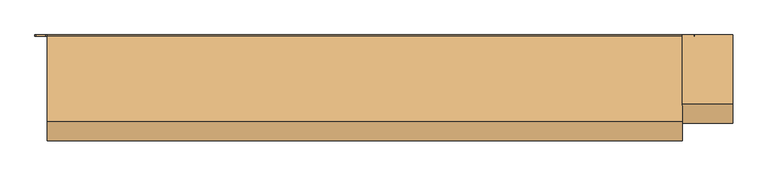
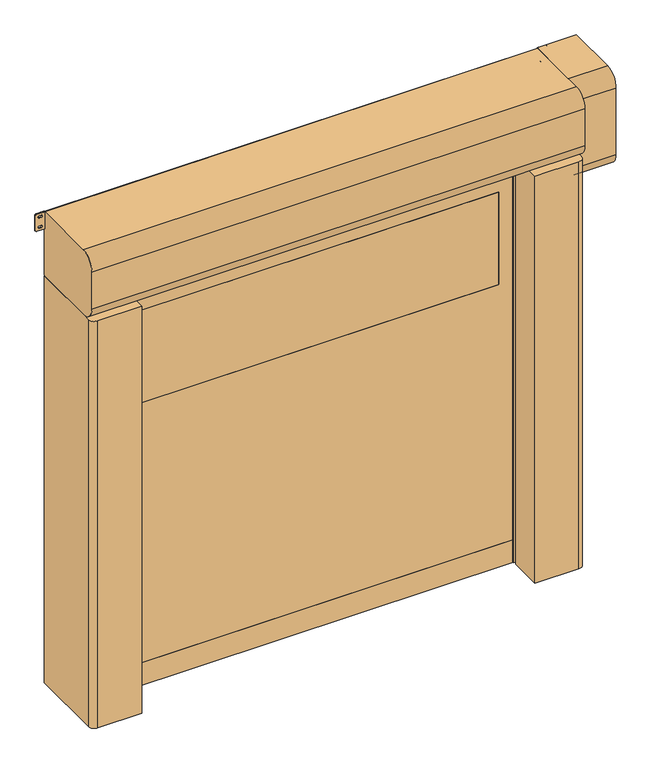
"""IFC4 building model written with IfcOpenShell, lengths in millimetres: door geometry."""

import ifcopenshell
import ifcopenshell.guid

model = None  # the IFC model being written
_history = None  # IfcOwnerHistory: only IFC2X3 demands one
_inside = {}  # id of a spatial element -> (the spatial element, [elements in it])
_under = {}  # id of a project, library or spatial element -> (it, [spatial elements below it])
_declared = {}  # id of a project -> (the project, [libraries it declares])
_typed = {}  # id of a type object -> (the type object, [elements of that type])
_made_of = {}  # id of a material, layer set ... -> (it, [elements and type objects made of it])


def new_model(schema):
    """Start an empty IFC model of exactly this schema.

    Asked for "IFC4X3", IfcOpenShell would pick the latest addendum, in which some entities
    have other attributes; the version numbers below select the first issue.
    IFC2X3 requires an IfcOwnerHistory on every rooted entity: one is made here for all.
    """
    global model, _history
    if schema == "IFC4X3":
        model = ifcopenshell.file(schema_version=(4, 3, 0, 0))
    else:
        model = ifcopenshell.file(schema=schema)
    _inside.clear()
    _under.clear()
    _declared.clear()
    _typed.clear()
    _made_of.clear()
    _history = None
    if model.schema == "IFC2X3":
        org = make("IfcOrganization", Name="unknown")
        user = make(
            "IfcPersonAndOrganization",
            ThePerson=make("IfcPerson", FamilyName="unknown"),
            TheOrganization=org,
        )
        app = make(
            "IfcApplication",
            ApplicationDeveloper=org,
            Version="unknown",
            ApplicationFullName="unknown",
            ApplicationIdentifier="unknown",
        )
        _history = make(
            "IfcOwnerHistory",
            OwningUser=user,
            OwningApplication=app,
            ChangeAction="ADDED",
            CreationDate=0,
        )
    return model


def make(cls, **values):
    """One entity of the class cls with the attributes given. An attribute that is None is left unset."""
    return model.create_entity(
        cls, **{name: value for name, value in values.items() if value is not None}
    )


def rooted(cls, **values):
    """An entity with a GlobalId (a new one), such as an element, a storey or a relation."""
    return make(cls, GlobalId=ifcopenshell.guid.new(), OwnerHistory=_history, **values)


def si_unit(unit_type, name, prefix=None):
    """IfcSIUnit, for example si_unit("LENGTHUNIT", "METRE", prefix="MILLI")."""
    return make("IfcSIUnit", UnitType=unit_type, Prefix=prefix, Name=name)


def assignment(units):
    """IfcUnitAssignment: the units of a project."""
    return None if units is None else make("IfcUnitAssignment", Units=units)


def point(xyz):
    """IfcCartesianPoint."""
    return None if xyz is None else make("IfcCartesianPoint", Coordinates=xyz)


def direction(xyz):
    """IfcDirection."""
    return None if xyz is None else make("IfcDirection", DirectionRatios=xyz)


def frame(location, z_axis=None, x_axis=None):
    """IfcAxis2Placement3D, a coordinate frame: its origin and axes. An axis left out is left unset."""
    return make(
        "IfcAxis2Placement3D",
        Location=point(location),
        Axis=direction(z_axis),
        RefDirection=direction(x_axis),
    )


def frame_2d(location, x_axis=None):
    """IfcAxis2Placement2D, a coordinate frame in the plane: its origin and x axis."""
    return make(
        "IfcAxis2Placement2D", Location=point(location), RefDirection=direction(x_axis)
    )


def origin():
    """The frame at (0, 0, 0) with its axes left unset."""
    return frame((0.0, 0.0, 0.0))


def origin_with_axes():
    """The frame at (0, 0, 0) with the z axis (0, 0, 1) and the x axis (1, 0, 0) written out."""
    return frame((0.0, 0.0, 0.0), z_axis=(0.0, 0.0, 1.0), x_axis=(1.0, 0.0, 0.0))


def place(relative_to, where):
    """IfcLocalPlacement: puts the frame where relative to a parent placement (None: the world)."""
    return make(
        "IfcLocalPlacement", PlacementRelTo=relative_to, RelativePlacement=where
    )


def context(
    kind, dimensions, precision=None, world=None, true_north=None, identifier=None
):
    """IfcGeometricRepresentationContext, for example the 3D "Model" context."""
    return make(
        "IfcGeometricRepresentationContext",
        ContextIdentifier=identifier,
        ContextType=kind,
        CoordinateSpaceDimension=dimensions,
        Precision=precision,
        WorldCoordinateSystem=world,
        TrueNorth=true_north,
    )


def project(units=None, contexts=None):
    """IfcProject with its units and contexts."""
    return rooted(
        "IfcProject",
        Name="project",
        RepresentationContexts=contexts,
        UnitsInContext=assignment(units),
    )


def spatial(cls, under=None, at=None, **own):
    """A site, building, storey or space (cls), placed at a placement, below another one or the project."""
    s = rooted(cls, ObjectPlacement=at, **own)
    if under is not None:
        _under.setdefault(under.id(), (under, []))[1].append(s)
    return s


def polyline(points):
    """IfcPolyline through the points."""
    return make("IfcPolyline", Points=[point(p) for p in points])


def circle_curve(where, radius):
    """IfcCircle in the frame where."""
    return make("IfcCircle", Position=where, Radius=radius)


def trimmed(basis, trim1, trim2, sense, master):
    """IfcTrimmedCurve: the piece of a basis curve between two trims."""
    return make(
        "IfcTrimmedCurve",
        BasisCurve=basis,
        Trim1=trim1,
        Trim2=trim2,
        SenseAgreement=sense,
        MasterRepresentation=master,
    )


def segment(curve, same_sense, transition):
    """IfcCompositeCurveSegment."""
    return make(
        "IfcCompositeCurveSegment",
        Transition=transition,
        SameSense=same_sense,
        ParentCurve=curve,
    )


def composite_curve(segments, self_intersect=None):
    """IfcCompositeCurve: segments joined end to end."""
    return make("IfcCompositeCurve", Segments=segments, SelfIntersect=self_intersect)


def outline(outer, holes=None, kind="AREA"):
    """IfcArbitraryClosedProfileDef: a profile drawn as a closed curve; with holes, ...WithVoids."""
    if holes is None:
        return make("IfcArbitraryClosedProfileDef", ProfileType=kind, OuterCurve=outer)
    return make(
        "IfcArbitraryProfileDefWithVoids",
        ProfileType=kind,
        OuterCurve=outer,
        InnerCurves=holes,
    )


def extrude(swept, where, along, depth):
    """IfcExtrudedAreaSolid: the profile swept, set in the frame where, extruded along a direction by depth."""
    return make(
        "IfcExtrudedAreaSolid",
        SweptArea=swept,
        Position=where,
        ExtrudedDirection=direction(along),
        Depth=depth,
    )


def shape(context_of_items, identifier, shape_type, items):
    """IfcShapeRepresentation: the items that make up one representation, for example the "Body"."""
    return make(
        "IfcShapeRepresentation",
        ContextOfItems=context_of_items,
        RepresentationIdentifier=identifier,
        RepresentationType=shape_type,
        Items=items,
    )


def source(mapping_origin, context_of_items, identifier, shape_type, items):
    """IfcRepresentationMap: a shape defined once, which mapped items show again and again."""
    return make(
        "IfcRepresentationMap",
        MappingOrigin=mapping_origin,
        MappedRepresentation=shape(context_of_items, identifier, shape_type, items),
    )


def transform(
    local_origin,
    x_axis=None,
    y_axis=None,
    z_axis=None,
    scale=None,
    scale2=None,
    scale3=None,
    uniform=True,
):
    """IfcCartesianTransformationOperator3D, or its non-uniform kind. x_axis, y_axis, z_axis: its Axis1, 2, 3."""
    if uniform:
        return make(
            "IfcCartesianTransformationOperator3D",
            Axis1=direction(x_axis),
            Axis2=direction(y_axis),
            LocalOrigin=point(local_origin),
            Scale=scale,
            Axis3=direction(z_axis),
        )
    return make(
        "IfcCartesianTransformationOperator3DnonUniform",
        Axis1=direction(x_axis),
        Axis2=direction(y_axis),
        LocalOrigin=point(local_origin),
        Scale=scale,
        Axis3=direction(z_axis),
        Scale2=scale2,
        Scale3=scale3,
    )


def mapped(mapping_source, mapping_target):
    """IfcMappedItem: shows the shape of a source again, moved by a transform."""
    return make(
        "IfcMappedItem", MappingSource=mapping_source, MappingTarget=mapping_target
    )


def made_of(thing, what):
    """Note that an element or type object is made of a material, layer set ...; save() writes the relation."""
    if what is not None:
        _made_of.setdefault(what.id(), (what, []))[1].append(thing)
    return thing


def element(
    cls,
    number,
    at=None,
    inside=None,
    cuts=None,
    type_object=None,
    material=None,
    context=None,
    identifier="Body",
    shape_type=None,
    held_by="IfcProductDefinitionShape",
    body=None,
    shapes=None,
    **own,
):
    """One element of the class cls, such as IfcWall. Its Tag is "e" and its number.

    at: its placement. inside: the storey or other place that contains it. cuts: it is an
    opening in that element (IfcRelVoidsElement). A single representation is given by context,
    identifier, shape_type and body (its items); several are given by shapes. held_by: the class
    of the entity that holds the representations. save() writes the other relations.
    """
    e = rooted(cls, Tag="e%d" % number, ObjectPlacement=at, **own)
    if body is not None:
        shapes = [shape(context, identifier, shape_type, body)]
    if shapes is not None:
        e.Representation = make(held_by, Representations=shapes)
    if inside is not None:
        _inside.setdefault(inside.id(), (inside, []))[1].append(e)
    if cuts is not None:
        rooted(
            "IfcRelVoidsElement", RelatingBuildingElement=cuts, RelatedOpeningElement=e
        )
    if type_object is not None:
        _typed.setdefault(type_object.id(), (type_object, []))[1].append(e)
    return made_of(e, material)


def aggregate(whole, parts):
    """IfcRelAggregates: a whole, such as a stair, and the parts it consists of."""
    return rooted("IfcRelAggregates", RelatingObject=whole, RelatedObjects=parts)


def save(model, path):
    """Write the relations noted so far, then the file.

    IfcRelAggregates (storeys below a building ...), IfcRelContainedInSpatialStructure (elements
    in a storey), IfcRelDefinesByType, IfcRelAssociatesMaterial and IfcRelDeclares: one each for
    every whole, place, type object, material and project.
    """
    for whole, parts in _under.values():
        aggregate(whole, parts)
    for where, things in _inside.values():
        rooted(
            "IfcRelContainedInSpatialStructure",
            RelatedElements=things,
            RelatingStructure=where,
        )
    for kind, things in _typed.values():
        rooted("IfcRelDefinesByType", RelatedObjects=things, RelatingType=kind)
    for what, things in _made_of.values():
        rooted("IfcRelAssociatesMaterial", RelatedObjects=things, RelatingMaterial=what)
    for by, libraries in _declared.values():
        rooted("IfcRelDeclares", RelatingContext=by, RelatedDefinitions=libraries)
    model.write(path)


def door_781c7d04(model_context):
    return source(origin(), model_context, "Body", "SweptSolid", [
        extrude(outline(composite_curve([segment(trimmed(circle_curve(frame_2d((1416.6666667, 1171.0)), 6.0), [point((1422.6666667, 1171.0))], [point((1410.6666667, 1171.0))], False, "CARTESIAN"), True, "CONTINUOUS"), segment(polyline([(1410.6666667, 1171.0), (1410.6666667, 1189.0)]), True, "CONTINUOUS"), segment(trimmed(circle_curve(frame_2d((1416.6666667, 1189.0)), 6.0), [point((1410.6666667, 1189.0))], [point((1422.6666667, 1189.0))], False, "CARTESIAN"), True, "CONTINUOUS"), segment(polyline([(1422.6666667, 1189.0), (1422.6666667, 1171.0)]), True, "CONTINUOUS")], self_intersect=False)), frame((0.0, -20.0, 0.0), z_axis=(0.0, 1.0, 0.0), x_axis=(0.0, 0.0, 1.0)), (0.0, 0.0, 1.0), 20.0),
        extrude(outline(composite_curve([segment(trimmed(circle_curve(frame_2d((783.3333333, 1171.0)), 6.0), [point((789.3333333, 1171.0))], [point((777.3333333, 1171.0))], False, "CARTESIAN"), True, "CONTINUOUS"), segment(polyline([(777.3333333, 1171.0), (777.3333333, 1189.0)]), True, "CONTINUOUS"), segment(trimmed(circle_curve(frame_2d((783.3333333, 1189.0)), 6.0), [point((777.3333333, 1189.0))], [point((789.3333333, 1189.0))], False, "CARTESIAN"), True, "CONTINUOUS"), segment(polyline([(789.3333333, 1189.0), (789.3333333, 1171.0)]), True, "CONTINUOUS")], self_intersect=False)), frame((0.0, -20.0, 0.0), z_axis=(0.0, 1.0, 0.0), x_axis=(0.0, 0.0, 1.0)), (0.0, 0.0, 1.0), 20.0),
        extrude(outline(composite_curve([segment(trimmed(circle_curve(frame_2d((2050.0, 1171.0)), 6.0), [point((2056.0, 1171.0))], [point((2044.0, 1171.0))], False, "CARTESIAN"), True, "CONTINUOUS"), segment(polyline([(2044.0, 1171.0), (2044.0, 1189.0)]), True, "CONTINUOUS"), segment(trimmed(circle_curve(frame_2d((2050.0, 1189.0)), 6.0), [point((2044.0, 1189.0))], [point((2056.0, 1189.0))], False, "CARTESIAN"), True, "CONTINUOUS"), segment(polyline([(2056.0, 1189.0), (2056.0, 1171.0)]), True, "CONTINUOUS")], self_intersect=False)), frame((0.0, -20.0, 0.0), z_axis=(0.0, 1.0, 0.0), x_axis=(0.0, 0.0, 1.0)), (0.0, 0.0, 1.0), 20.0),
        extrude(outline(composite_curve([segment(trimmed(circle_curve(frame_2d((150.0, 1171.0)), 6.0), [point((156.0, 1171.0))], [point((144.0, 1171.0))], False, "CARTESIAN"), True, "CONTINUOUS"), segment(polyline([(144.0, 1171.0), (144.0, 1189.0)]), True, "CONTINUOUS"), segment(trimmed(circle_curve(frame_2d((150.0, 1189.0)), 6.0), [point((144.0, 1189.0))], [point((156.0, 1189.0))], False, "CARTESIAN"), True, "CONTINUOUS"), segment(polyline([(156.0, 1189.0), (156.0, 1171.0)]), True, "CONTINUOUS")], self_intersect=False)), frame((0.0, -20.0, 0.0), z_axis=(0.0, 1.0, 0.0), x_axis=(0.0, 0.0, 1.0)), (0.0, 0.0, 1.0), 20.0),
        extrude(outline(composite_curve([segment(polyline([(1422.6666667, -1171.0), (1422.6666667, -1189.0)]), True, "CONTINUOUS"), segment(trimmed(circle_curve(frame_2d((1416.6666667, -1189.0)), 6.0), [point((1422.6666667, -1189.0))], [point((1410.6666667, -1189.0))], False, "CARTESIAN"), True, "CONTINUOUS"), segment(polyline([(1410.6666667, -1189.0), (1410.6666667, -1171.0)]), True, "CONTINUOUS"), segment(trimmed(circle_curve(frame_2d((1416.6666667, -1171.0)), 6.0), [point((1410.6666667, -1171.0))], [point((1422.6666667, -1171.0))], False, "CARTESIAN"), True, "CONTINUOUS")], self_intersect=False)), frame((0.0, -20.0, 0.0), z_axis=(0.0, 1.0, 0.0), x_axis=(0.0, 0.0, 1.0)), (0.0, 0.0, 1.0), 20.0),
        extrude(outline(composite_curve([segment(polyline([(789.3333333, -1171.0), (789.3333333, -1189.0)]), True, "CONTINUOUS"), segment(trimmed(circle_curve(frame_2d((783.3333333, -1189.0)), 6.0), [point((789.3333333, -1189.0))], [point((777.3333333, -1189.0))], False, "CARTESIAN"), True, "CONTINUOUS"), segment(polyline([(777.3333333, -1189.0), (777.3333333, -1171.0)]), True, "CONTINUOUS"), segment(trimmed(circle_curve(frame_2d((783.3333333, -1171.0)), 6.0), [point((777.3333333, -1171.0))], [point((789.3333333, -1171.0))], False, "CARTESIAN"), True, "CONTINUOUS")], self_intersect=False)), frame((0.0, -20.0, 0.0), z_axis=(0.0, 1.0, 0.0), x_axis=(0.0, 0.0, 1.0)), (0.0, 0.0, 1.0), 20.0),
        extrude(outline(composite_curve([segment(polyline([(2056.0, -1171.0), (2056.0, -1189.0)]), True, "CONTINUOUS"), segment(trimmed(circle_curve(frame_2d((2050.0, -1189.0)), 6.0), [point((2056.0, -1189.0))], [point((2044.0, -1189.0))], False, "CARTESIAN"), True, "CONTINUOUS"), segment(polyline([(2044.0, -1189.0), (2044.0, -1171.0)]), True, "CONTINUOUS"), segment(trimmed(circle_curve(frame_2d((2050.0, -1171.0)), 6.0), [point((2044.0, -1171.0))], [point((2056.0, -1171.0))], False, "CARTESIAN"), True, "CONTINUOUS")], self_intersect=False)), frame((0.0, -20.0, 0.0), z_axis=(0.0, 1.0, 0.0), x_axis=(0.0, 0.0, 1.0)), (0.0, 0.0, 1.0), 20.0),
        extrude(outline(composite_curve([segment(polyline([(156.0, -1171.0), (156.0, -1189.0)]), True, "CONTINUOUS"), segment(trimmed(circle_curve(frame_2d((150.0, -1189.0)), 6.0), [point((156.0, -1189.0))], [point((144.0, -1189.0))], False, "CARTESIAN"), True, "CONTINUOUS"), segment(polyline([(144.0, -1189.0), (144.0, -1171.0)]), True, "CONTINUOUS"), segment(trimmed(circle_curve(frame_2d((150.0, -1171.0)), 6.0), [point((144.0, -1171.0))], [point((156.0, -1171.0))], False, "CARTESIAN"), True, "CONTINUOUS")], self_intersect=False)), frame((0.0, -20.0, 0.0), z_axis=(0.0, 1.0, 0.0), x_axis=(0.0, 0.0, 1.0)), (0.0, 0.0, 1.0), 20.0),
        extrude(outline(composite_curve([segment(trimmed(circle_curve(frame_2d((1526.0, 929.0)), 1.0), [point((1525.0, 929.0))], [point((1526.0, 930.0))], False, "CARTESIAN"), True, "CONTINUOUS"), segment(polyline([(1526.0, 930.0), (2024.0, 930.0)]), True, "CONTINUOUS"), segment(trimmed(circle_curve(frame_2d((2024.0, 929.0)), 1.0), [point((2024.0, 930.0))], [point((2025.0, 929.0))], False, "CARTESIAN"), True, "CONTINUOUS"), segment(polyline([(2025.0, 929.0), (2025.0, -929.0)]), True, "CONTINUOUS"), segment(trimmed(circle_curve(frame_2d((2024.0, -929.0)), 1.0), [point((2025.0, -929.0))], [point((2024.0, -930.0))], False, "CARTESIAN"), True, "CONTINUOUS"), segment(polyline([(2024.0, -930.0), (1526.0, -930.0)]), True, "CONTINUOUS"), segment(trimmed(circle_curve(frame_2d((1526.0, -929.0)), 1.0), [point((1526.0, -930.0))], [point((1525.0, -929.0))], False, "CARTESIAN"), True, "CONTINUOUS"), segment(polyline([(1525.0, -929.0), (1525.0, 929.0)]), True, "CONTINUOUS")], self_intersect=False)), frame((0.0, -228.5, 0.0), z_axis=(0.0, 1.0, 0.0), x_axis=(0.0, 0.0, 1.0)), (0.0, 0.0, 1.0), 7.0),
        extrude(outline(polyline([(120.0, -1012.0), (120.0, 1012.0), (2375.0, 1012.0), (2375.0, -1012.0), (120.0, -1012.0)]), holes=[composite_curve([segment(trimmed(circle_curve(frame_2d((1526.0, 929.0)), 1.0), [point((1526.0, 930.0))], [point((1525.0, 929.0))], True, "CARTESIAN"), True, "CONTINUOUS"), segment(polyline([(1525.0, 929.0), (1525.0, -929.0)]), True, "CONTINUOUS"), segment(trimmed(circle_curve(frame_2d((1526.0, -929.0)), 1.0), [point((1525.0, -929.0))], [point((1526.0, -930.0))], True, "CARTESIAN"), True, "CONTINUOUS"), segment(polyline([(1526.0, -930.0), (2024.0, -930.0)]), True, "CONTINUOUS"), segment(trimmed(circle_curve(frame_2d((2024.0, -929.0)), 1.0), [point((2024.0, -930.0))], [point((2025.0, -929.0))], True, "CARTESIAN"), True, "CONTINUOUS"), segment(polyline([(2025.0, -929.0), (2025.0, 929.0)]), True, "CONTINUOUS"), segment(trimmed(circle_curve(frame_2d((2024.0, 929.0)), 1.0), [point((2025.0, 929.0))], [point((2024.0, 930.0))], True, "CARTESIAN"), True, "CONTINUOUS"), segment(polyline([(2024.0, 930.0), (1526.0, 930.0)]), True, "CONTINUOUS")], self_intersect=False)]), frame((0.0, -228.5, 0.0), z_axis=(0.0, 1.0, 0.0), x_axis=(0.0, 0.0, 1.0)), (0.0, 0.0, 1.0), 7.0),
        extrude(outline(polyline([(-1012.0, -219.5), (1012.0, -219.5), (1012.0, -230.5), (-1012.0, -230.5), (-1012.0, -219.5)])), origin_with_axes(), (0.0, 0.0, 1.0), 120.0),
        extrude(outline(composite_curve([segment(polyline([(-1260.0, 0.0), (-1015.0, 0.0), (-1015.0, -209.2857143), (-1035.0, -215.0), (-1000.0, -215.0), (-1000.0, -221.5), (-1020.0, -221.5), (-1020.0, -228.5), (-1000.0, -228.5), (-1000.0, -235.0), (-1035.0, -235.0), (-1035.0, -250.0), (-1005.0, -250.0), (-1005.0, -420.0), (-1230.0, -420.0)]), True, "CONTINUOUS"), segment(trimmed(circle_curve(frame_2d((-1230.0, -390.0)), 30.0), [point((-1230.0, -420.0))], [point((-1260.0, -390.0))], False, "CARTESIAN"), True, "CONTINUOUS"), segment(polyline([(-1260.0, -390.0), (-1260.0, 0.0)]), True, "CONTINUOUS")], self_intersect=False)), origin_with_axes(), (0.0, 0.0, 1.0), 2200.0),
        extrude(outline(composite_curve([segment(polyline([(1260.0, 0.0), (1260.0, -390.0)]), True, "CONTINUOUS"), segment(trimmed(circle_curve(frame_2d((1230.0, -390.0)), 30.0), [point((1260.0, -390.0))], [point((1230.0, -420.0))], False, "CARTESIAN"), True, "CONTINUOUS"), segment(polyline([(1230.0, -420.0), (1005.0, -420.0), (1005.0, -250.0), (1035.0, -250.0), (1035.0, -235.0), (1000.0, -235.0), (1000.0, -228.5), (1020.0, -228.5), (1020.0, -221.5), (1000.0, -221.5), (1000.0, -215.0), (1035.0, -215.0), (1015.0, -209.2857143), (1015.0, 0.0), (1260.0, 0.0)]), True, "CONTINUOUS")], self_intersect=False)), origin_with_axes(), (0.0, 0.0, 1.0), 2200.0),
        extrude(outline(composite_curve([segment(polyline([(0.0, 2550.0), (0.0, 2040.0), (-275.0, 2040.0)]), True, "CONTINUOUS"), segment(trimmed(circle_curve(frame_2d((-275.0, 2115.0)), 75.0), [point((-275.0, 2040.0))], [point((-350.0, 2115.0))], False, "CARTESIAN"), True, "CONTINUOUS"), segment(polyline([(-350.0, 2115.0), (-350.0, 2475.0)]), True, "CONTINUOUS"), segment(trimmed(circle_curve(frame_2d((-275.0, 2475.0)), 75.0), [point((-350.0, 2475.0))], [point((-275.0, 2550.0))], False, "CARTESIAN"), True, "CONTINUOUS"), segment(polyline([(-275.0, 2550.0), (0.0, 2550.0)]), True, "CONTINUOUS")], self_intersect=False)), frame((1260.0, 0.0, 0.0), z_axis=(1.0, 0.0, 0.0), x_axis=(0.0, 1.0, 0.0)), (0.0, 0.0, 1.0), 200.0),
        extrude(outline(composite_curve([segment(trimmed(circle_curve(frame_2d((-5.0, 2205.0)), 5.0), [point((0.0, 2205.0))], [point((-5.0, 2200.0))], False, "CARTESIAN"), True, "CONTINUOUS"), segment(polyline([(-5.0, 2200.0), (-345.0, 2200.0)]), True, "CONTINUOUS"), segment(trimmed(circle_curve(frame_2d((-345.0, 2275.0)), 75.0), [point((-345.0, 2200.0))], [point((-420.0, 2275.0))], False, "CARTESIAN"), True, "CONTINUOUS"), segment(polyline([(-420.0, 2275.0), (-420.0, 2475.0)]), True, "CONTINUOUS"), segment(trimmed(circle_curve(frame_2d((-345.0, 2475.0)), 75.0), [point((-420.0, 2475.0))], [point((-345.0, 2550.0))], False, "CARTESIAN"), True, "CONTINUOUS"), segment(polyline([(-345.0, 2550.0), (-5.0, 2550.0)]), True, "CONTINUOUS"), segment(trimmed(circle_curve(frame_2d((-5.0, 2545.0)), 5.0), [point((-5.0, 2550.0))], [point((0.0, 2545.0))], False, "CARTESIAN"), True, "CONTINUOUS"), segment(polyline([(0.0, 2545.0), (0.0, 2205.0)]), True, "CONTINUOUS")], self_intersect=False)), frame((-1260.0, 0.0, 0.0), z_axis=(1.0, 0.0, 0.0), x_axis=(0.0, 1.0, 0.0)), (0.0, 0.0, 1.0), 2520.0),
        extrude(outline(composite_curve([segment(trimmed(circle_curve(frame_2d((2463.75, 1265.75)), 5.75), [point((2463.75, 1260.0))], [point((2458.0, 1265.75))], False, "CARTESIAN"), True, "CONTINUOUS"), segment(polyline([(2458.0, 1265.75), (2458.0, 1303.25)]), True, "CONTINUOUS"), segment(trimmed(circle_curve(frame_2d((2463.75, 1303.25)), 5.75), [point((2458.0, 1303.25))], [point((2463.75, 1309.0))], False, "CARTESIAN"), True, "CONTINUOUS"), segment(polyline([(2463.75, 1309.0), (2544.25, 1309.0)]), True, "CONTINUOUS"), segment(trimmed(circle_curve(frame_2d((2544.25, 1303.25)), 5.75), [point((2544.25, 1309.0))], [point((2550.0, 1303.25))], False, "CARTESIAN"), True, "CONTINUOUS"), segment(polyline([(2550.0, 1303.25), (2550.0, 1265.75)]), True, "CONTINUOUS"), segment(trimmed(circle_curve(frame_2d((2544.25, 1265.75)), 5.75), [point((2550.0, 1265.75))], [point((2544.25, 1260.0))], False, "CARTESIAN"), True, "CONTINUOUS"), segment(polyline([(2544.25, 1260.0), (2463.75, 1260.0)]), True, "CONTINUOUS")], self_intersect=False), holes=[composite_curve([segment(trimmed(circle_curve(frame_2d((2476.5, 1288.75)), 5.75), [point((2482.25, 1288.75))], [point((2470.75, 1288.75))], True, "CARTESIAN"), True, "CONTINUOUS"), segment(polyline([(2470.75, 1288.75), (2470.75, 1280.25)]), True, "CONTINUOUS"), segment(trimmed(circle_curve(frame_2d((2476.5, 1280.25)), 5.75), [point((2470.75, 1280.25))], [point((2482.25, 1280.25))], True, "CARTESIAN"), True, "CONTINUOUS"), segment(polyline([(2482.25, 1280.25), (2482.25, 1288.75)]), True, "CONTINUOUS")], self_intersect=False), composite_curve([segment(trimmed(circle_curve(frame_2d((2531.5, 1288.75)), 5.75), [point((2537.25, 1288.75))], [point((2525.75, 1288.75))], True, "CARTESIAN"), True, "CONTINUOUS"), segment(polyline([(2525.75, 1288.75), (2525.75, 1280.25)]), True, "CONTINUOUS"), segment(trimmed(circle_curve(frame_2d((2531.5, 1280.25)), 5.75), [point((2525.75, 1280.25))], [point((2537.25, 1280.25))], True, "CARTESIAN"), True, "CONTINUOUS"), segment(polyline([(2537.25, 1280.25), (2537.25, 1288.75)]), True, "CONTINUOUS")], self_intersect=False)]), frame((0.0, -5.0, 0.0), z_axis=(0.0, 1.0, 0.0), x_axis=(0.0, 0.0, 1.0)), (0.0, 0.0, 1.0), 5.0),
        extrude(outline(composite_curve([segment(trimmed(circle_curve(frame_2d((2463.75, -1303.25)), 5.75), [point((2463.75, -1309.0))], [point((2458.0, -1303.25))], False, "CARTESIAN"), True, "CONTINUOUS"), segment(polyline([(2458.0, -1303.25), (2458.0, -1265.75)]), True, "CONTINUOUS"), segment(trimmed(circle_curve(frame_2d((2463.75, -1265.75)), 5.75), [point((2458.0, -1265.75))], [point((2463.75, -1260.0))], False, "CARTESIAN"), True, "CONTINUOUS"), segment(polyline([(2463.75, -1260.0), (2544.25, -1260.0)]), True, "CONTINUOUS"), segment(trimmed(circle_curve(frame_2d((2544.25, -1265.75)), 5.75), [point((2544.25, -1260.0))], [point((2550.0, -1265.75))], False, "CARTESIAN"), True, "CONTINUOUS"), segment(polyline([(2550.0, -1265.75), (2550.0, -1303.25)]), True, "CONTINUOUS"), segment(trimmed(circle_curve(frame_2d((2544.25, -1303.25)), 5.75), [point((2550.0, -1303.25))], [point((2544.25, -1309.0))], False, "CARTESIAN"), True, "CONTINUOUS"), segment(polyline([(2544.25, -1309.0), (2463.75, -1309.0)]), True, "CONTINUOUS")], self_intersect=False), holes=[composite_curve([segment(trimmed(circle_curve(frame_2d((2476.5, -1280.25)), 5.75), [point((2482.25, -1280.25))], [point((2470.75, -1280.25))], True, "CARTESIAN"), True, "CONTINUOUS"), segment(polyline([(2470.75, -1280.25), (2470.75, -1288.75)]), True, "CONTINUOUS"), segment(trimmed(circle_curve(frame_2d((2476.5, -1288.75)), 5.75), [point((2470.75, -1288.75))], [point((2482.25, -1288.75))], True, "CARTESIAN"), True, "CONTINUOUS"), segment(polyline([(2482.25, -1288.75), (2482.25, -1280.25)]), True, "CONTINUOUS")], self_intersect=False), composite_curve([segment(trimmed(circle_curve(frame_2d((2531.5, -1280.25)), 5.75), [point((2537.25, -1280.25))], [point((2525.75, -1280.25))], True, "CARTESIAN"), True, "CONTINUOUS"), segment(polyline([(2525.75, -1280.25), (2525.75, -1288.75)]), True, "CONTINUOUS"), segment(trimmed(circle_curve(frame_2d((2531.5, -1288.75)), 5.75), [point((2525.75, -1288.75))], [point((2537.25, -1288.75))], True, "CARTESIAN"), True, "CONTINUOUS"), segment(polyline([(2537.25, -1288.75), (2537.25, -1280.25)]), True, "CONTINUOUS")], self_intersect=False)]), frame((0.0, -5.0, 0.0), z_axis=(0.0, 1.0, 0.0), x_axis=(0.0, 0.0, 1.0)), (0.0, 0.0, 1.0), 5.0),
    ])


if __name__ == "__main__":
    model = new_model("IFC4")
    model_context = context("Model", 3, world=origin())
    ifc_project = project(units=[si_unit("LENGTHUNIT", "METRE", prefix="MILLI")], contexts=[model_context])
    site = spatial("IfcSite", under=ifc_project)
    building = spatial("IfcBuilding", under=site)
    placement = place(None, origin())
    door_shape = door_781c7d04(model_context)
    element("IfcDoor", 1, at=placement, inside=building, context=model_context, shape_type="MappedRepresentation", body=[
        mapped(door_shape, transform((0.0, 0.0, 0.0), x_axis=(1.0, 0.0, 0.0), y_axis=(0.0, 1.0, 0.0), z_axis=(0.0, 0.0, 1.0))),
    ])
    save(model, "model.ifc")
